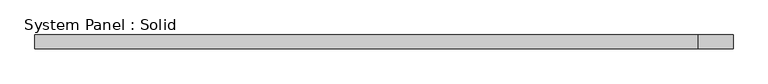
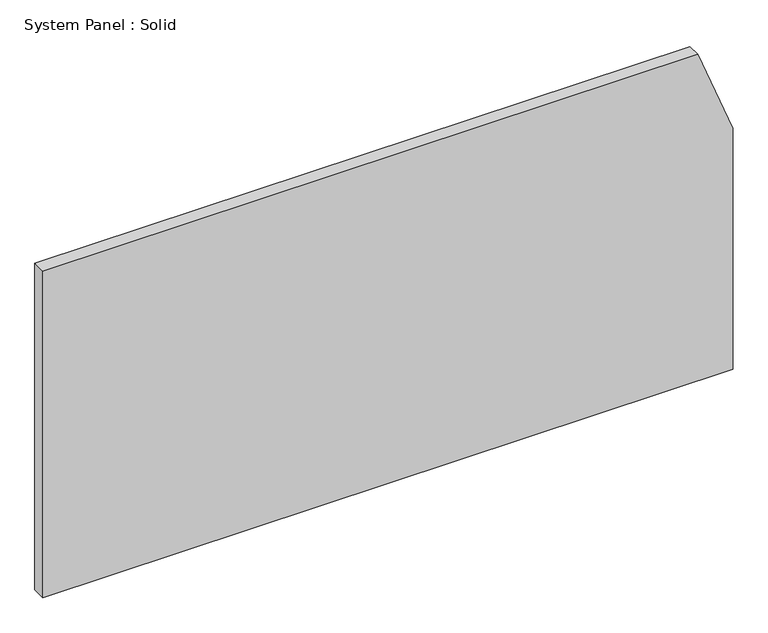
"""IFC4 building model written with IfcOpenShell, lengths in millimetres: plate geometry, System Panel : Solid."""

from ifc_helpers import new_model, si_unit, frame, origin, place, context, project, spatial, polyline, outline, extrude, source, transform, mapped, element, save


def system_panel_solid_e93f9e70(model_context):
    return source(origin(), model_context, "Body", "SweptSolid", [
        extrude(outline(polyline([(0.0, -1500.0), (0.0, 1500.0), (1108.2343463, 1500.0), (1500.0, 1347.5929156), (1500.0, -1500.0), (0.0, -1500.0)])), frame((0.0, -10.5, 0.0), z_axis=(0.0, 1.0, 0.0), x_axis=(0.0, 0.0, 1.0)), (0.0, 0.0, 1.0), 60.0),
    ])


if __name__ == "__main__":
    model = new_model("IFC4")
    model_context = context("Model", 3, world=origin())
    ifc_project = project(units=[si_unit("LENGTHUNIT", "METRE", prefix="MILLI")], contexts=[model_context])
    site = spatial("IfcSite", under=ifc_project)
    building = spatial("IfcBuilding", under=site)
    placement = place(None, origin())
    system_panel_solid_shape = system_panel_solid_e93f9e70(model_context)
    element("IfcPlate", 1, ObjectType="System Panel : Solid", at=placement, inside=building, context=model_context, shape_type="MappedRepresentation", body=[
        mapped(system_panel_solid_shape, transform((0.0, 0.0, 0.0), x_axis=(1.0, 0.0, 0.0), y_axis=(0.0, 1.0, 0.0), z_axis=(0.0, 0.0, 1.0))),
    ])
    save(model, "model.ifc")
